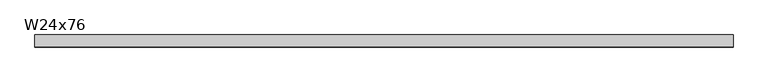
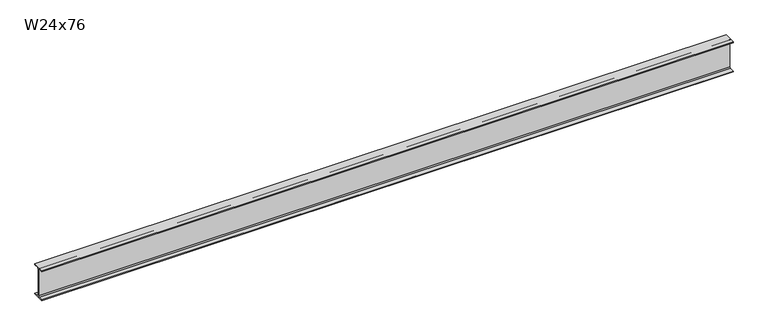
"""IFC4 building model written with IfcOpenShell, lengths in millimetres: beam geometry, W24x76."""

from ifc_helpers import new_model, si_unit, point, frame, frame_2d, origin, place, context, project, spatial, polyline, circle_curve, trimmed, segment, composite_curve, outline, extrude, source, transform, mapped, element, save


def w24x76_4c0c8aa2(model_context):
    return source(origin(), model_context, "Body", "SweptSolid", [
        extrude(outline(composite_curve([segment(polyline([(114.173, -286.258), (114.173, -303.53), (-114.173, -303.53), (-114.173, -286.258), (-28.0035, -286.258)]), True, "CONTINUOUS"), segment(trimmed(circle_curve(frame_2d((-28.0035, -263.8425)), 22.4155), [point((-28.0035, -286.258))], [point((-5.588, -263.8425))], True, "CARTESIAN"), True, "CONTINUOUS"), segment(polyline([(-5.588, -263.8425), (-5.588, 263.8425)]), True, "CONTINUOUS"), segment(trimmed(circle_curve(frame_2d((-28.0035, 263.8425)), 22.4155), [point((-5.588, 263.8425))], [point((-28.0035, 286.258))], True, "CARTESIAN"), True, "CONTINUOUS"), segment(polyline([(-28.0035, 286.258), (-114.173, 286.258), (-114.173, 303.53), (114.173, 303.53), (114.173, 286.258), (28.0035, 286.258)]), True, "CONTINUOUS"), segment(trimmed(circle_curve(frame_2d((28.0035, 263.8425)), 22.4155), [point((28.0035, 286.258))], [point((5.588, 263.8425))], True, "CARTESIAN"), True, "CONTINUOUS"), segment(polyline([(5.588, 263.8425), (5.588, -263.8425)]), True, "CONTINUOUS"), segment(trimmed(circle_curve(frame_2d((28.0035, -263.8425)), 22.4155), [point((5.588, -263.8425))], [point((28.0035, -286.258))], True, "CARTESIAN"), True, "CONTINUOUS"), segment(polyline([(28.0035, -286.258), (114.173, -286.258)]), True, "CONTINUOUS")], self_intersect=False)), frame((-6505.1073714, 0.0, 0.0), z_axis=(1.0, 0.0, 0.0), x_axis=(0.0, 1.0, 0.0)), (0.0, 0.0, 1.0), 13187.0455483),
    ])


if __name__ == "__main__":
    model = new_model("IFC4")
    model_context = context("Model", 3, world=origin())
    ifc_project = project(units=[si_unit("LENGTHUNIT", "METRE", prefix="MILLI")], contexts=[model_context])
    site = spatial("IfcSite", under=ifc_project)
    building = spatial("IfcBuilding", under=site)
    placement = place(None, origin())
    w24x76_shape = w24x76_4c0c8aa2(model_context)
    element("IfcBeam", 1, ObjectType="W24x76", at=placement, inside=building, context=model_context, shape_type="MappedRepresentation", body=[
        mapped(w24x76_shape, transform((0.0, 0.0, 0.0), x_axis=(1.0, 0.0, 0.0), y_axis=(0.0, 1.0, 0.0), z_axis=(0.0, 0.0, 1.0))),
    ])
    save(model, "model.ifc")
